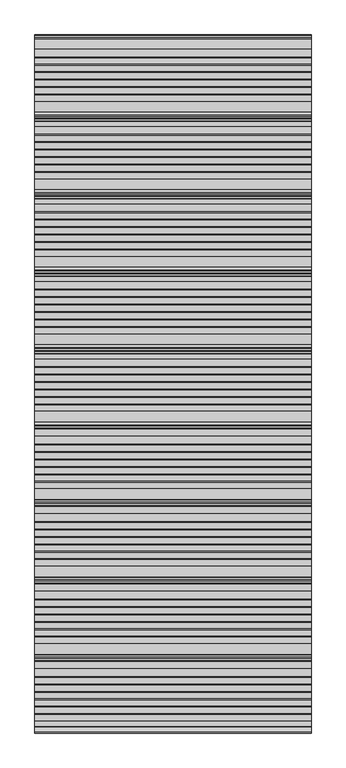
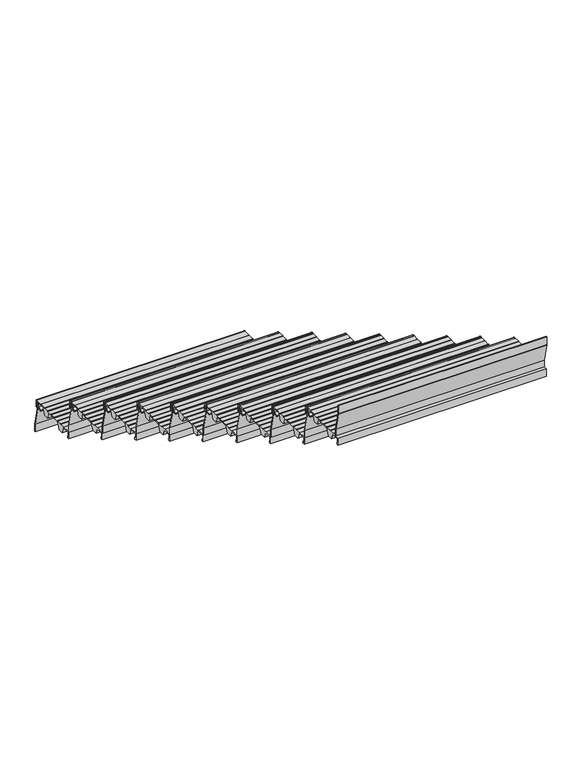
"""IFC4 building model written with IfcOpenShell, lengths in millimetres: stair flight geometry."""

from ifc_helpers import new_model, si_unit, point, frame, frame_2d, origin, place, context, project, spatial, polyline, circle_curve, trimmed, segment, composite_curve, outline, extrude, source, transform, mapped, element, save


def stair_flight_8175cac2(model_context):
    return source(origin(), model_context, "Body", "SweptSolid", [
        extrude(outline(composite_curve([segment(polyline([(2170.7942218, 2454.6255246), (2182.5535144, 2463.7730431), (2183.1622347, 2482.1121002), (2166.0567598, 2482.1497993), (2166.0567598, 2483.3256371), (2145.4517128, 2483.2802252), (2132.3790142, 2451.8853795), (2107.4872341, 2451.8305199), (2096.5631326, 2482.9835266), (2025.8924174, 2482.8277739), (2012.8984699, 2451.6220537), (1988.0066899, 2451.5671942), (1977.2812084, 2482.1537825), (1939.0596675, 2482.0695452), (1939.0596675, 2460.7179675), (1944.9596352, 2460.7309706), (1944.9596352, 2451.4723219), (1935.7653131, 2451.4520583), (1935.7653131, 2487.3529412), (1974.7517786, 2487.4388643), (1974.7517786, 2485.5493441), (1999.5996528, 2485.5493441), (1999.5996528, 2487.4936271), (2001.6342323, 2487.4936271), (2001.6342323, 2485.5493441), (2026.4714009, 2485.5493441), (2026.4714009, 2487.4936271), (2028.5059805, 2487.4936271), (2028.5059805, 2485.5493441), (2053.3525568, 2485.5493441), (2053.3525568, 2487.4936271), (2055.3871363, 2487.4936271), (2055.3871363, 2485.5493441), (2080.2337126, 2485.5493441), (2080.2337126, 2487.4936271), (2082.2682921, 2487.4936271), (2082.2682921, 2485.5493441), (2107.1148685, 2485.5493441), (2107.1148685, 2487.4936271), (2109.149448, 2487.4936271), (2109.149448, 2485.5493441), (2133.9960243, 2485.5493441), (2133.9960243, 2487.4936271), (2136.0306038, 2487.4936271), (2136.0306038, 2485.90479), (2166.0567598, 2485.9709653), (2166.0567598, 2487.3529412), (2200.7653131, 2487.3529412)]), True, "CONTINUOUS"), segment(trimmed(circle_curve(frame_2d((2200.7653131, 2482.3529412)), 5.0), [point((2200.7653131, 2487.3529412))], [point((2205.7653131, 2482.3529412))], False, "CARTESIAN"), True, "CONTINUOUS"), segment(polyline([(2205.7653131, 2482.3529412), (2205.7653131, 2451.4723219), (2196.570991, 2451.4723219), (2196.570991, 2460.7309706), (2202.4709587, 2460.7179675), (2202.4709587, 2482.0695452), (2185.6510486, 2482.106615), (2184.9938506, 2462.3070603), (2171.7080266, 2451.9720575), (2167.3505016, 2451.9624539), (2167.3446492, 2454.617922), (2170.7942218, 2454.6255246)]), True, "CONTINUOUS")], self_intersect=False)), frame((-2355.3300828, 0.0, 0.0), z_axis=(1.0, 0.0, 0.0), x_axis=(0.0, 1.0, 0.0)), (0.0, 0.0, 1.0), 1000.0),
        extrude(outline(composite_curve([segment(polyline([(2194.2599759, 2487.3529412), (2194.2599759, 2445.5828252), (2215.6383114, 2356.6185102)]), True, "CONTINUOUS"), segment(trimmed(circle_curve(frame_2d((2211.1770113, 2355.5464492)), 4.5883018), [point((2215.6383114, 2356.6185102))], [point((2215.7653131, 2355.5464492))], False, "CARTESIAN"), True, "CONTINUOUS"), segment(polyline([(2215.7653131, 2355.5464492), (2215.7653131, 2319.8529412), (2213.7650627, 2319.8529412), (2213.7650627, 2355.8556971), (2192.3661301, 2444.9057257)]), True, "CONTINUOUS"), segment(trimmed(circle_curve(frame_2d((2196.1361131, 2445.8116616)), 3.8773048), [point((2192.3661301, 2444.9057257))], [point((2192.2597256, 2445.8959915))], False, "CARTESIAN"), True, "CONTINUOUS"), segment(polyline([(2192.2597256, 2445.8959915), (2192.2597256, 2487.3529412), (2194.2599759, 2487.3529412)]), True, "CONTINUOUS")], self_intersect=False)), frame((-2355.3300828, 0.0, 0.0), z_axis=(1.0, 0.0, 0.0), x_axis=(0.0, 1.0, 0.0)), (0.0, 0.0, 1.0), 1000.0),
        extrude(outline(composite_curve([segment(polyline([(1914.2599759, 2653.1764706), (1914.2599759, 2611.4063546), (1935.6383114, 2522.4420396)]), True, "CONTINUOUS"), segment(trimmed(circle_curve(frame_2d((1931.1770113, 2521.3699786)), 4.5883018), [point((1935.6383114, 2522.4420396))], [point((1935.7653131, 2521.3699786))], False, "CARTESIAN"), True, "CONTINUOUS"), segment(polyline([(1935.7653131, 2521.3699786), (1935.7653131, 2485.6764706), (1933.7650627, 2485.6764706), (1933.7650627, 2521.6792265), (1912.3661301, 2610.7292551)]), True, "CONTINUOUS"), segment(trimmed(circle_curve(frame_2d((1916.1361131, 2611.635191)), 3.8773048), [point((1912.3661301, 2610.7292551))], [point((1912.2597256, 2611.7195209))], False, "CARTESIAN"), True, "CONTINUOUS"), segment(polyline([(1912.2597256, 2611.7195209), (1912.2597256, 2653.1764706), (1914.2599759, 2653.1764706)]), True, "CONTINUOUS")], self_intersect=False)), frame((-2355.3300828, 0.0, 0.0), z_axis=(1.0, 0.0, 0.0), x_axis=(0.0, 1.0, 0.0)), (0.0, 0.0, 1.0), 1000.0),
        extrude(outline(composite_curve([segment(polyline([(1890.7942218, 2620.449054), (1902.5535144, 2629.5965725), (1903.1622347, 2647.9356296), (1886.0567598, 2647.9733287), (1886.0567598, 2649.1491665), (1865.4517128, 2649.1037546), (1852.3790142, 2617.7089089), (1827.4872341, 2617.6540494), (1816.5631326, 2648.807056), (1745.8924174, 2648.6513033), (1732.8984699, 2617.4455831), (1708.0066899, 2617.3907236), (1697.2812084, 2647.9773119), (1659.0596675, 2647.8930747), (1659.0596675, 2626.5414969), (1664.9596352, 2626.5545), (1664.9596352, 2617.2958513), (1655.7653131, 2617.2755877), (1655.7653131, 2653.1764706), (1694.7517786, 2653.2623937), (1694.7517786, 2651.3728736), (1719.5996528, 2651.3728736), (1719.5996528, 2653.3171565), (1721.6342323, 2653.3171565), (1721.6342323, 2651.3728736), (1746.4714009, 2651.3728736), (1746.4714009, 2653.3171565), (1748.5059805, 2653.3171565), (1748.5059805, 2651.3728736), (1773.3525568, 2651.3728736), (1773.3525568, 2653.3171565), (1775.3871363, 2653.3171565), (1775.3871363, 2651.3728736), (1800.2337126, 2651.3728736), (1800.2337126, 2653.3171565), (1802.2682921, 2653.3171565), (1802.2682921, 2651.3728736), (1827.1148685, 2651.3728736), (1827.1148685, 2653.3171565), (1829.149448, 2653.3171565), (1829.149448, 2651.3728736), (1853.9960243, 2651.3728736), (1853.9960243, 2653.3171565), (1856.0306038, 2653.3171565), (1856.0306038, 2651.7283194), (1886.0567598, 2651.7944947), (1886.0567598, 2653.1764706), (1920.7653131, 2653.1764706)]), True, "CONTINUOUS"), segment(trimmed(circle_curve(frame_2d((1920.7653131, 2648.1764706)), 5.0), [point((1920.7653131, 2653.1764706))], [point((1925.7653131, 2648.1764706))], False, "CARTESIAN"), True, "CONTINUOUS"), segment(polyline([(1925.7653131, 2648.1764706), (1925.7653131, 2617.2958513), (1916.570991, 2617.2958513), (1916.570991, 2626.5545), (1922.4709587, 2626.5414969), (1922.4709587, 2647.8930747), (1905.6510486, 2647.9301444), (1904.9938506, 2628.1305897), (1891.7080266, 2617.7955869), (1887.3505016, 2617.7859833), (1887.3446492, 2620.4414514), (1890.7942218, 2620.449054)]), True, "CONTINUOUS")], self_intersect=False)), frame((-2355.3300828, 0.0, 0.0), z_axis=(1.0, 0.0, 0.0), x_axis=(0.0, 1.0, 0.0)), (0.0, 0.0, 1.0), 1000.0),
        extrude(outline(composite_curve([segment(polyline([(1634.2599759, 2819.0), (1634.2599759, 2777.229884), (1655.6383114, 2688.265569)]), True, "CONTINUOUS"), segment(trimmed(circle_curve(frame_2d((1651.1770113, 2687.193508)), 4.5883018), [point((1655.6383114, 2688.265569))], [point((1655.7653131, 2687.193508))], False, "CARTESIAN"), True, "CONTINUOUS"), segment(polyline([(1655.7653131, 2687.193508), (1655.7653131, 2651.5), (1653.7650627, 2651.5), (1653.7650627, 2687.5027559), (1632.3661301, 2776.5527846)]), True, "CONTINUOUS"), segment(trimmed(circle_curve(frame_2d((1636.1361131, 2777.4587204)), 3.8773048), [point((1632.3661301, 2776.5527846))], [point((1632.2597256, 2777.5430503))], False, "CARTESIAN"), True, "CONTINUOUS"), segment(polyline([(1632.2597256, 2777.5430503), (1632.2597256, 2819.0), (1634.2599759, 2819.0)]), True, "CONTINUOUS")], self_intersect=False)), frame((-2355.3300828, 0.0, 0.0), z_axis=(1.0, 0.0, 0.0), x_axis=(0.0, 1.0, 0.0)), (0.0, 0.0, 1.0), 1000.0),
        extrude(outline(composite_curve([segment(polyline([(1610.7942218, 2786.2725834), (1622.5535144, 2795.4201019), (1623.1622347, 2813.759159), (1606.0567598, 2813.7968581), (1606.0567598, 2814.9726959), (1585.4517128, 2814.927284), (1572.3790142, 2783.5324383), (1547.4872341, 2783.4775788), (1536.5631326, 2814.6305854), (1465.8924174, 2814.4748327), (1452.8984699, 2783.2691125), (1428.0066899, 2783.214253), (1417.2812084, 2813.8008414), (1379.0596675, 2813.7166041), (1379.0596675, 2792.3650264), (1384.9596352, 2792.3780294), (1384.9596352, 2783.1193807), (1375.7653131, 2783.0991171), (1375.7653131, 2819.0), (1414.7517786, 2819.0859231), (1414.7517786, 2817.196403), (1439.5996528, 2817.196403), (1439.5996528, 2819.1406859), (1441.6342323, 2819.1406859), (1441.6342323, 2817.196403), (1466.4714009, 2817.196403), (1466.4714009, 2819.1406859), (1468.5059805, 2819.1406859), (1468.5059805, 2817.196403), (1493.3525568, 2817.196403), (1493.3525568, 2819.1406859), (1495.3871363, 2819.1406859), (1495.3871363, 2817.196403), (1520.2337126, 2817.196403), (1520.2337126, 2819.1406859), (1522.2682921, 2819.1406859), (1522.2682921, 2817.196403), (1547.1148685, 2817.196403), (1547.1148685, 2819.1406859), (1549.149448, 2819.1406859), (1549.149448, 2817.196403), (1573.9960243, 2817.196403), (1573.9960243, 2819.1406859), (1576.0306038, 2819.1406859), (1576.0306038, 2817.5518489), (1606.0567598, 2817.6180241), (1606.0567598, 2819.0), (1640.7653131, 2819.0)]), True, "CONTINUOUS"), segment(trimmed(circle_curve(frame_2d((1640.7653131, 2814.0)), 5.0), [point((1640.7653131, 2819.0))], [point((1645.7653131, 2814.0))], False, "CARTESIAN"), True, "CONTINUOUS"), segment(polyline([(1645.7653131, 2814.0), (1645.7653131, 2783.1193807), (1636.570991, 2783.1193807), (1636.570991, 2792.3780294), (1642.4709587, 2792.3650264), (1642.4709587, 2813.7166041), (1625.6510486, 2813.7536738), (1624.9938506, 2793.9541191), (1611.7080266, 2783.6191164), (1607.3505016, 2783.6095127), (1607.3446492, 2786.2649808), (1610.7942218, 2786.2725834)]), True, "CONTINUOUS")], self_intersect=False)), frame((-2355.3300828, 0.0, 0.0), z_axis=(1.0, 0.0, 0.0), x_axis=(0.0, 1.0, 0.0)), (0.0, 0.0, 1.0), 1000.0),
        extrude(outline(composite_curve([segment(polyline([(1354.2599759, 2984.8235294), (1354.2599759, 2943.0534134), (1375.6383114, 2854.0890984)]), True, "CONTINUOUS"), segment(trimmed(circle_curve(frame_2d((1371.1770113, 2853.0170374)), 4.5883018), [point((1375.6383114, 2854.0890984))], [point((1375.7653131, 2853.0170374))], False, "CARTESIAN"), True, "CONTINUOUS"), segment(polyline([(1375.7653131, 2853.0170374), (1375.7653131, 2817.3235294), (1373.7650627, 2817.3235294), (1373.7650627, 2853.3262853), (1352.3661301, 2942.376314)]), True, "CONTINUOUS"), segment(trimmed(circle_curve(frame_2d((1356.1361131, 2943.2822498)), 3.8773048), [point((1352.3661301, 2942.376314))], [point((1352.2597256, 2943.3665797))], False, "CARTESIAN"), True, "CONTINUOUS"), segment(polyline([(1352.2597256, 2943.3665797), (1352.2597256, 2984.8235294), (1354.2599759, 2984.8235294)]), True, "CONTINUOUS")], self_intersect=False)), frame((-2355.3300828, 0.0, 0.0), z_axis=(1.0, 0.0, 0.0), x_axis=(0.0, 1.0, 0.0)), (0.0, 0.0, 1.0), 1000.0),
        extrude(outline(composite_curve([segment(polyline([(1330.7942218, 2952.0961128), (1342.5535144, 2961.2436313), (1343.1622347, 2979.5826884), (1326.0567598, 2979.6203875), (1326.0567598, 2980.7962253), (1305.4517128, 2980.7508134), (1292.3790142, 2949.3559677), (1267.4872341, 2949.3011082), (1256.5631326, 2980.4541148), (1185.8924174, 2980.2983621), (1172.8984699, 2949.092642), (1148.0066899, 2949.0377824), (1137.2812084, 2979.6243708), (1099.0596675, 2979.5401335), (1099.0596675, 2958.1885558), (1104.9596352, 2958.2015588), (1104.9596352, 2948.9429101), (1095.7653131, 2948.9226465), (1095.7653131, 2984.8235294), (1134.7517786, 2984.9094525), (1134.7517786, 2983.0199324), (1159.5996528, 2983.0199324), (1159.5996528, 2984.9642153), (1161.6342323, 2984.9642153), (1161.6342323, 2983.0199324), (1186.4714009, 2983.0199324), (1186.4714009, 2984.9642153), (1188.5059805, 2984.9642153), (1188.5059805, 2983.0199324), (1213.3525568, 2983.0199324), (1213.3525568, 2984.9642153), (1215.3871363, 2984.9642153), (1215.3871363, 2983.0199324), (1240.2337126, 2983.0199324), (1240.2337126, 2984.9642153), (1242.2682921, 2984.9642153), (1242.2682921, 2983.0199324), (1267.1148685, 2983.0199324), (1267.1148685, 2984.9642153), (1269.149448, 2984.9642153), (1269.149448, 2983.0199324), (1293.9960243, 2983.0199324), (1293.9960243, 2984.9642153), (1296.0306038, 2984.9642153), (1296.0306038, 2983.3753783), (1326.0567598, 2983.4415536), (1326.0567598, 2984.8235294), (1360.7653131, 2984.8235294)]), True, "CONTINUOUS"), segment(trimmed(circle_curve(frame_2d((1360.7653131, 2979.8235294)), 5.0), [point((1360.7653131, 2984.8235294))], [point((1365.7653131, 2979.8235294))], False, "CARTESIAN"), True, "CONTINUOUS"), segment(polyline([(1365.7653131, 2979.8235294), (1365.7653131, 2948.9429101), (1356.570991, 2948.9429101), (1356.570991, 2958.2015588), (1362.4709587, 2958.1885558), (1362.4709587, 2979.5401335), (1345.6510486, 2979.5772032), (1344.9938506, 2959.7776485), (1331.7080266, 2949.4426458), (1327.3505016, 2949.4330421), (1327.3446492, 2952.0885102), (1330.7942218, 2952.0961128)]), True, "CONTINUOUS")], self_intersect=False)), frame((-2355.3300828, 0.0, 0.0), z_axis=(1.0, 0.0, 0.0), x_axis=(0.0, 1.0, 0.0)), (0.0, 0.0, 1.0), 1000.0),
        extrude(outline(composite_curve([segment(polyline([(1074.2599759, 3150.6470588), (1074.2599759, 3108.8769428), (1095.6383114, 3019.9126278)]), True, "CONTINUOUS"), segment(trimmed(circle_curve(frame_2d((1091.1770113, 3018.8405668)), 4.5883018), [point((1095.6383114, 3019.9126278))], [point((1095.7653131, 3018.8405668))], False, "CARTESIAN"), True, "CONTINUOUS"), segment(polyline([(1095.7653131, 3018.8405668), (1095.7653131, 2983.1470588), (1093.7650627, 2983.1470588), (1093.7650627, 3019.1498147), (1072.3661301, 3108.1998434)]), True, "CONTINUOUS"), segment(trimmed(circle_curve(frame_2d((1076.1361131, 3109.1057792)), 3.8773048), [point((1072.3661301, 3108.1998434))], [point((1072.2597256, 3109.1901091))], False, "CARTESIAN"), True, "CONTINUOUS"), segment(polyline([(1072.2597256, 3109.1901091), (1072.2597256, 3150.6470588), (1074.2599759, 3150.6470588)]), True, "CONTINUOUS")], self_intersect=False)), frame((-2355.3300828, 0.0, 0.0), z_axis=(1.0, 0.0, 0.0), x_axis=(0.0, 1.0, 0.0)), (0.0, 0.0, 1.0), 1000.0),
        extrude(outline(composite_curve([segment(polyline([(1050.7942218, 3117.9196422), (1062.5535144, 3127.0671607), (1063.1622347, 3145.4062178), (1046.0567598, 3145.4439169), (1046.0567598, 3146.6197548), (1025.4517128, 3146.5743428), (1012.3790142, 3115.1794971), (987.4872341, 3115.1246376), (976.5631326, 3146.2776442), (905.8924174, 3146.1218915), (892.8984699, 3114.9161714), (868.0066899, 3114.8613118), (857.2812084, 3145.4479002), (819.0596675, 3145.3636629), (819.0596675, 3124.0120852), (824.9596352, 3124.0250882), (824.9596352, 3114.7664395), (815.7653131, 3114.7461759), (815.7653131, 3150.6470588), (854.7517786, 3150.7329819), (854.7517786, 3148.8434618), (879.5996528, 3148.8434618), (879.5996528, 3150.7877447), (881.6342323, 3150.7877447), (881.6342323, 3148.8434618), (906.4714009, 3148.8434618), (906.4714009, 3150.7877447), (908.5059805, 3150.7877447), (908.5059805, 3148.8434618), (933.3525568, 3148.8434618), (933.3525568, 3150.7877447), (935.3871363, 3150.7877447), (935.3871363, 3148.8434618), (960.2337126, 3148.8434618), (960.2337126, 3150.7877447), (962.2682921, 3150.7877447), (962.2682921, 3148.8434618), (987.1148685, 3148.8434618), (987.1148685, 3150.7877447), (989.149448, 3150.7877447), (989.149448, 3148.8434618), (1013.9960243, 3148.8434618), (1013.9960243, 3150.7877447), (1016.0306038, 3150.7877447), (1016.0306038, 3149.1989077), (1046.0567598, 3149.265083), (1046.0567598, 3150.6470588), (1080.7653131, 3150.6470588)]), True, "CONTINUOUS"), segment(trimmed(circle_curve(frame_2d((1080.7653131, 3145.6470588)), 5.0), [point((1080.7653131, 3150.6470588))], [point((1085.7653131, 3145.6470588))], False, "CARTESIAN"), True, "CONTINUOUS"), segment(polyline([(1085.7653131, 3145.6470588), (1085.7653131, 3114.7664395), (1076.570991, 3114.7664395), (1076.570991, 3124.0250882), (1082.4709587, 3124.0120852), (1082.4709587, 3145.3636629), (1065.6510486, 3145.4007327), (1064.9938506, 3125.6011779), (1051.7080266, 3115.2661752), (1047.3505016, 3115.2565715), (1047.3446492, 3117.9120396), (1050.7942218, 3117.9196422)]), True, "CONTINUOUS")], self_intersect=False)), frame((-2355.3300828, 0.0, 0.0), z_axis=(1.0, 0.0, 0.0), x_axis=(0.0, 1.0, 0.0)), (0.0, 0.0, 1.0), 1000.0),
        extrude(outline(composite_curve([segment(polyline([(794.2599759, 3316.4705882), (794.2599759, 3274.7004722), (815.6383114, 3185.7361572)]), True, "CONTINUOUS"), segment(trimmed(circle_curve(frame_2d((811.1770113, 3184.6640963)), 4.5883018), [point((815.6383114, 3185.7361572))], [point((815.7653131, 3184.6640963))], False, "CARTESIAN"), True, "CONTINUOUS"), segment(polyline([(815.7653131, 3184.6640963), (815.7653131, 3148.9705882), (813.7650627, 3148.9705882), (813.7650627, 3184.9733441), (792.3661301, 3274.0233728)]), True, "CONTINUOUS"), segment(trimmed(circle_curve(frame_2d((796.1361131, 3274.9293087)), 3.8773048), [point((792.3661301, 3274.0233728))], [point((792.2597256, 3275.0136385))], False, "CARTESIAN"), True, "CONTINUOUS"), segment(polyline([(792.2597256, 3275.0136385), (792.2597256, 3316.4705882), (794.2599759, 3316.4705882)]), True, "CONTINUOUS")], self_intersect=False)), frame((-2355.3300828, 0.0, 0.0), z_axis=(1.0, 0.0, 0.0), x_axis=(0.0, 1.0, 0.0)), (0.0, 0.0, 1.0), 1000.0),
        extrude(outline(composite_curve([segment(polyline([(770.7942218, 3283.7431716), (782.5535144, 3292.8906902), (783.1622347, 3311.2297472), (766.0567598, 3311.2674463), (766.0567598, 3312.4432842), (745.4517128, 3312.3978723), (732.3790142, 3281.0030265), (707.4872341, 3280.948167), (696.5631326, 3312.1011736), (625.8924174, 3311.9454209), (612.8984699, 3280.7397008), (588.0066899, 3280.6848412), (577.2812084, 3311.2714296), (539.0596675, 3311.1871923), (539.0596675, 3289.8356146), (544.9596352, 3289.8486177), (544.9596352, 3280.5899689), (535.7653131, 3280.5697053), (535.7653131, 3316.4705882), (574.7517786, 3316.5565113), (574.7517786, 3314.6669912), (599.5996528, 3314.6669912), (599.5996528, 3316.6112741), (601.6342323, 3316.6112741), (601.6342323, 3314.6669912), (626.4714009, 3314.6669912), (626.4714009, 3316.6112741), (628.5059805, 3316.6112741), (628.5059805, 3314.6669912), (653.3525568, 3314.6669912), (653.3525568, 3316.6112741), (655.3871363, 3316.6112741), (655.3871363, 3314.6669912), (680.2337126, 3314.6669912), (680.2337126, 3316.6112741), (682.2682921, 3316.6112741), (682.2682921, 3314.6669912), (707.1148685, 3314.6669912), (707.1148685, 3316.6112741), (709.149448, 3316.6112741), (709.149448, 3314.6669912), (733.9960243, 3314.6669912), (733.9960243, 3316.6112741), (736.0306038, 3316.6112741), (736.0306038, 3315.0224371), (766.0567598, 3315.0886124), (766.0567598, 3316.4705882), (800.7653131, 3316.4705882)]), True, "CONTINUOUS"), segment(trimmed(circle_curve(frame_2d((800.7653131, 3311.4705882)), 5.0), [point((800.7653131, 3316.4705882))], [point((805.7653131, 3311.4705882))], False, "CARTESIAN"), True, "CONTINUOUS"), segment(polyline([(805.7653131, 3311.4705882), (805.7653131, 3280.5899689), (796.570991, 3280.5899689), (796.570991, 3289.8486177), (802.4709587, 3289.8356146), (802.4709587, 3311.1871923), (785.6510486, 3311.2242621), (784.9938506, 3291.4247073), (771.7080266, 3281.0897046), (767.3505016, 3281.080101), (767.3446492, 3283.735569), (770.7942218, 3283.7431716)]), True, "CONTINUOUS")], self_intersect=False)), frame((-2355.3300828, 0.0, 0.0), z_axis=(1.0, 0.0, 0.0), x_axis=(0.0, 1.0, 0.0)), (0.0, 0.0, 1.0), 1000.0),
        extrude(outline(composite_curve([segment(polyline([(514.2599759, 3482.2941176), (514.2599759, 3440.5240017), (535.6383114, 3351.5596866)]), True, "CONTINUOUS"), segment(trimmed(circle_curve(frame_2d((531.1770113, 3350.4876257)), 4.5883018), [point((535.6383114, 3351.5596866))], [point((535.7653131, 3350.4876257))], False, "CARTESIAN"), True, "CONTINUOUS"), segment(polyline([(535.7653131, 3350.4876257), (535.7653131, 3314.7941176), (533.7650627, 3314.7941176), (533.7650627, 3350.7968735), (512.3661301, 3439.8469022)]), True, "CONTINUOUS"), segment(trimmed(circle_curve(frame_2d((516.1361131, 3440.7528381)), 3.8773048), [point((512.3661301, 3439.8469022))], [point((512.2597256, 3440.8371679))], False, "CARTESIAN"), True, "CONTINUOUS"), segment(polyline([(512.2597256, 3440.8371679), (512.2597256, 3482.2941176), (514.2599759, 3482.2941176)]), True, "CONTINUOUS")], self_intersect=False)), frame((-2355.3300828, 0.0, 0.0), z_axis=(1.0, 0.0, 0.0), x_axis=(0.0, 1.0, 0.0)), (0.0, 0.0, 1.0), 1000.0),
        extrude(outline(composite_curve([segment(polyline([(490.7942218, 3449.566701), (502.5535144, 3458.7142196), (503.1622347, 3477.0532766), (486.0567598, 3477.0909758), (486.0567598, 3478.2668136), (465.4517128, 3478.2214017), (452.3790142, 3446.8265559), (427.4872341, 3446.7716964), (416.5631326, 3477.9247031), (345.8924174, 3477.7689503), (332.8984699, 3446.5632302), (308.0066899, 3446.5083707), (297.2812084, 3477.094959), (259.0596675, 3477.0107217), (259.0596675, 3455.659144), (264.9596352, 3455.6721471), (264.9596352, 3446.4134983), (255.7653131, 3446.3932348), (255.7653131, 3482.2941176), (294.7517786, 3482.3800408), (294.7517786, 3480.4905206), (319.5996528, 3480.4905206), (319.5996528, 3482.4348035), (321.6342323, 3482.4348035), (321.6342323, 3480.4905206), (346.4714009, 3480.4905206), (346.4714009, 3482.4348035), (348.5059805, 3482.4348035), (348.5059805, 3480.4905206), (373.3525568, 3480.4905206), (373.3525568, 3482.4348035), (375.3871363, 3482.4348035), (375.3871363, 3480.4905206), (400.2337126, 3480.4905206), (400.2337126, 3482.4348035), (402.2682921, 3482.4348035), (402.2682921, 3480.4905206), (427.1148685, 3480.4905206), (427.1148685, 3482.4348035), (429.149448, 3482.4348035), (429.149448, 3480.4905206), (453.9960243, 3480.4905206), (453.9960243, 3482.4348035), (456.0306038, 3482.4348035), (456.0306038, 3480.8459665), (486.0567598, 3480.9121418), (486.0567598, 3482.2941176), (520.7653131, 3482.2941176)]), True, "CONTINUOUS"), segment(trimmed(circle_curve(frame_2d((520.7653131, 3477.2941176)), 5.0), [point((520.7653131, 3482.2941176))], [point((525.7653131, 3477.2941176))], False, "CARTESIAN"), True, "CONTINUOUS"), segment(polyline([(525.7653131, 3477.2941176), (525.7653131, 3446.4134983), (516.570991, 3446.4134983), (516.570991, 3455.6721471), (522.4709587, 3455.659144), (522.4709587, 3477.0107217), (505.6510486, 3477.0477915), (504.9938506, 3457.2482367), (491.7080266, 3446.913234), (487.3505016, 3446.9036304), (487.3446492, 3449.5590984), (490.7942218, 3449.566701)]), True, "CONTINUOUS")], self_intersect=False)), frame((-2355.3300828, 0.0, 0.0), z_axis=(1.0, 0.0, 0.0), x_axis=(0.0, 1.0, 0.0)), (0.0, 0.0, 1.0), 1000.0),
        extrude(outline(composite_curve([segment(polyline([(234.2599759, 3648.1176471), (234.2599759, 3606.3475311), (255.6383114, 3517.3832161)]), True, "CONTINUOUS"), segment(trimmed(circle_curve(frame_2d((251.1770113, 3516.3111551)), 4.5883018), [point((255.6383114, 3517.3832161))], [point((255.7653131, 3516.3111551))], False, "CARTESIAN"), True, "CONTINUOUS"), segment(polyline([(255.7653131, 3516.3111551), (255.7653131, 3480.6176471), (253.7650627, 3480.6176471), (253.7650627, 3516.620403), (232.3661301, 3605.6704316)]), True, "CONTINUOUS"), segment(trimmed(circle_curve(frame_2d((236.1361131, 3606.5763675)), 3.8773048), [point((232.3661301, 3605.6704316))], [point((232.2597256, 3606.6606973))], False, "CARTESIAN"), True, "CONTINUOUS"), segment(polyline([(232.2597256, 3606.6606973), (232.2597256, 3648.1176471), (234.2599759, 3648.1176471)]), True, "CONTINUOUS")], self_intersect=False)), frame((-2355.3300828, 0.0, 0.0), z_axis=(1.0, 0.0, 0.0), x_axis=(0.0, 1.0, 0.0)), (0.0, 0.0, 1.0), 1000.0),
        extrude(outline(composite_curve([segment(polyline([(210.7942218, 3615.3902304), (222.5535144, 3624.537749), (223.1622347, 3642.876806), (206.0567598, 3642.9145052), (206.0567598, 3644.090343), (185.4517128, 3644.0449311), (172.3790142, 3612.6500854), (147.4872341, 3612.5952258), (136.5631326, 3643.7482325), (65.8924174, 3643.5924798), (52.8984699, 3612.3867596), (28.0066899, 3612.3319001), (17.2812084, 3642.9184884), (-20.9403325, 3642.8342511), (-20.9403325, 3621.4826734), (-15.0403648, 3621.4956765), (-15.0403648, 3612.2370277), (-24.2346869, 3612.2167642), (-24.2346869, 3648.1176471), (14.7517786, 3648.2035702), (14.7517786, 3646.31405), (39.5996528, 3646.31405), (39.5996528, 3648.2583329), (41.6342323, 3648.2583329), (41.6342323, 3646.31405), (66.4714009, 3646.31405), (66.4714009, 3648.2583329), (68.5059805, 3648.2583329), (68.5059805, 3646.31405), (93.3525568, 3646.31405), (93.3525568, 3648.2583329), (95.3871363, 3648.2583329), (95.3871363, 3646.31405), (120.2337126, 3646.31405), (120.2337126, 3648.2583329), (122.2682921, 3648.2583329), (122.2682921, 3646.31405), (147.1148685, 3646.31405), (147.1148685, 3648.2583329), (149.149448, 3648.2583329), (149.149448, 3646.31405), (173.9960243, 3646.31405), (173.9960243, 3648.2583329), (176.0306038, 3648.2583329), (176.0306038, 3646.6694959), (206.0567598, 3646.7356712), (206.0567598, 3648.1176471), (240.7653131, 3648.1176471)]), True, "CONTINUOUS"), segment(trimmed(circle_curve(frame_2d((240.7653131, 3643.1176471)), 5.0), [point((240.7653131, 3648.1176471))], [point((245.7653131, 3643.1176471))], False, "CARTESIAN"), True, "CONTINUOUS"), segment(polyline([(245.7653131, 3643.1176471), (245.7653131, 3612.2370277), (236.570991, 3612.2370277), (236.570991, 3621.4956765), (242.4709587, 3621.4826734), (242.4709587, 3642.8342511), (225.6510486, 3642.8713209), (224.9938506, 3623.0717661), (211.7080266, 3612.7367634), (207.3505016, 3612.7271598), (207.3446492, 3615.3826279), (210.7942218, 3615.3902304)]), True, "CONTINUOUS")], self_intersect=False)), frame((-2355.3300828, 0.0, 0.0), z_axis=(1.0, 0.0, 0.0), x_axis=(0.0, 1.0, 0.0)), (0.0, 0.0, 1.0), 1000.0),
        extrude(outline(composite_curve([segment(polyline([(-305.7400241, 3979.7647059), (-305.7400241, 3937.9945899), (-284.3616886, 3849.0302749)]), True, "CONTINUOUS"), segment(trimmed(circle_curve(frame_2d((-288.8229887, 3847.9582139)), 4.5883018), [point((-284.3616886, 3849.0302749))], [point((-284.2346869, 3847.9582139))], False, "CARTESIAN"), True, "CONTINUOUS"), segment(polyline([(-284.2346869, 3847.9582139), (-284.2346869, 3812.2647059), (-286.2349373, 3812.2647059), (-286.2349373, 3848.2674618), (-307.6338699, 3937.3174904)]), True, "CONTINUOUS"), segment(trimmed(circle_curve(frame_2d((-303.8638869, 3938.2234263)), 3.8773048), [point((-307.6338699, 3937.3174904))], [point((-307.7402744, 3938.3077562))], False, "CARTESIAN"), True, "CONTINUOUS"), segment(polyline([(-307.7402744, 3938.3077562), (-307.7402744, 3979.7647059), (-305.7400241, 3979.7647059)]), True, "CONTINUOUS")], self_intersect=False)), frame((-2355.3300828, 0.0, 0.0), z_axis=(1.0, 0.0, 0.0), x_axis=(0.0, 1.0, 0.0)), (0.0, 0.0, 1.0), 1000.0),
        extrude(outline(composite_curve([segment(polyline([(-45.7400241, 3813.9411765), (-45.7400241, 3772.1710605), (-24.3616886, 3683.2067455)]), True, "CONTINUOUS"), segment(trimmed(circle_curve(frame_2d((-28.8229887, 3682.1346845)), 4.5883018), [point((-24.3616886, 3683.2067455))], [point((-24.2346869, 3682.1346845))], False, "CARTESIAN"), True, "CONTINUOUS"), segment(polyline([(-24.2346869, 3682.1346845), (-24.2346869, 3646.4411765), (-26.2349373, 3646.4411765), (-26.2349373, 3682.4439324), (-47.6338699, 3771.493961)]), True, "CONTINUOUS"), segment(trimmed(circle_curve(frame_2d((-43.8638869, 3772.3998969)), 3.8773048), [point((-47.6338699, 3771.493961))], [point((-47.7402744, 3772.4842267))], False, "CARTESIAN"), True, "CONTINUOUS"), segment(polyline([(-47.7402744, 3772.4842267), (-47.7402744, 3813.9411765), (-45.7400241, 3813.9411765)]), True, "CONTINUOUS")], self_intersect=False)), frame((-2355.3300828, 0.0, 0.0), z_axis=(1.0, 0.0, 0.0), x_axis=(0.0, 1.0, 0.0)), (0.0, 0.0, 1.0), 1000.0),
        extrude(outline(composite_curve([segment(polyline([(-69.2057782, 3781.2137599), (-57.4464856, 3790.3612784), (-56.8377653, 3808.7003355), (-73.9432402, 3808.7380346), (-73.9432402, 3809.9138724), (-94.5482872, 3809.8684605), (-107.6209858, 3778.4736148), (-132.5127659, 3778.4187552), (-143.4368674, 3809.5717619), (-214.1075826, 3809.4160092), (-227.1015301, 3778.210289), (-251.9933101, 3778.1554295), (-262.7187916, 3808.7420178), (-300.9403325, 3808.6577805), (-300.9403325, 3787.3062028), (-295.0403648, 3787.3192059), (-295.0403648, 3778.0605571), (-304.2346869, 3778.0402936), (-304.2346869, 3813.9411765), (-265.2482214, 3814.0270996), (-265.2482214, 3812.1375794), (-240.4003472, 3812.1375794), (-240.4003472, 3814.0818624), (-238.3657677, 3814.0818624), (-238.3657677, 3812.1375794), (-213.5285991, 3812.1375794), (-213.5285991, 3814.0818624), (-211.4940195, 3814.0818624), (-211.4940195, 3812.1375794), (-186.6474432, 3812.1375794), (-186.6474432, 3814.0818624), (-184.6128637, 3814.0818624), (-184.6128637, 3812.1375794), (-159.7662874, 3812.1375794), (-159.7662874, 3814.0818624), (-157.7317079, 3814.0818624), (-157.7317079, 3812.1375794), (-132.8851315, 3812.1375794), (-132.8851315, 3814.0818624), (-130.850552, 3814.0818624), (-130.850552, 3812.1375794), (-106.0039757, 3812.1375794), (-106.0039757, 3814.0818624), (-103.9693962, 3814.0818624), (-103.9693962, 3812.4930253), (-73.9432402, 3812.5592006), (-73.9432402, 3813.9411765), (-39.2346869, 3813.9411765)]), True, "CONTINUOUS"), segment(trimmed(circle_curve(frame_2d((-39.2346869, 3808.9411765)), 5.0), [point((-39.2346869, 3813.9411765))], [point((-34.2346869, 3808.9411765))], False, "CARTESIAN"), True, "CONTINUOUS"), segment(polyline([(-34.2346869, 3808.9411765), (-34.2346869, 3778.0605571), (-43.429009, 3778.0605571), (-43.429009, 3787.3192059), (-37.5290413, 3787.3062028), (-37.5290413, 3808.6577805), (-54.3489514, 3808.6948503), (-55.0061494, 3788.8952956), (-68.2919734, 3778.5602928), (-72.6494984, 3778.5506892), (-72.6553508, 3781.2061573), (-69.2057782, 3781.2137599)]), True, "CONTINUOUS")], self_intersect=False)), frame((-2355.3300828, 0.0, 0.0), z_axis=(1.0, 0.0, 0.0), x_axis=(0.0, 1.0, 0.0)), (0.0, 0.0, 1.0), 1000.0),
    ])


if __name__ == "__main__":
    model = new_model("IFC4")
    model_context = context("Model", 3, world=origin())
    ifc_project = project(units=[si_unit("LENGTHUNIT", "METRE", prefix="MILLI")], contexts=[model_context])
    site = spatial("IfcSite", under=ifc_project)
    building = spatial("IfcBuilding", under=site)
    placement = place(None, origin())
    stair_flight_shape = stair_flight_8175cac2(model_context)
    element("IfcStairFlight", 1, at=placement, inside=building, context=model_context, shape_type="MappedRepresentation", body=[
        mapped(stair_flight_shape, transform((0.0, 0.0, 0.0), x_axis=(1.0, 0.0, 0.0), y_axis=(0.0, 1.0, 0.0), z_axis=(0.0, 0.0, 1.0))),
    ])
    save(model, "model.ifc")
